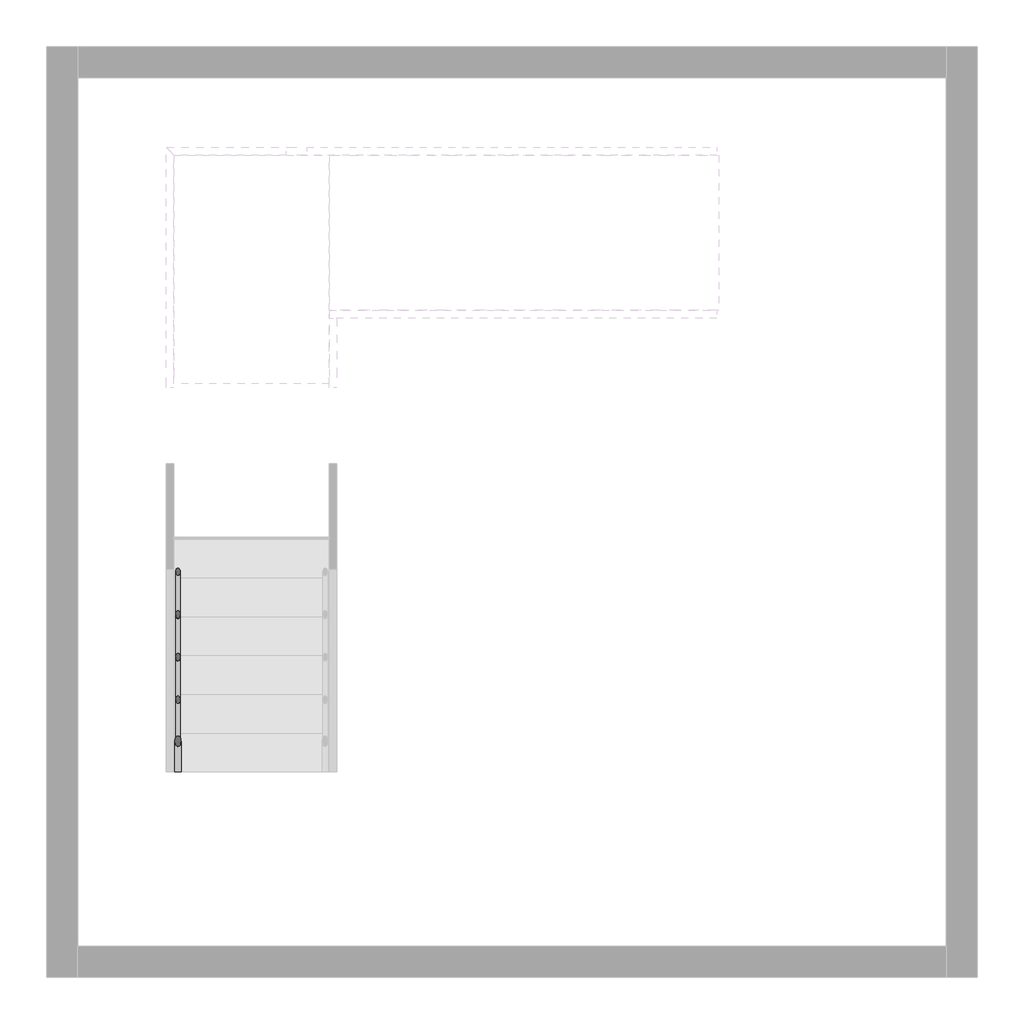
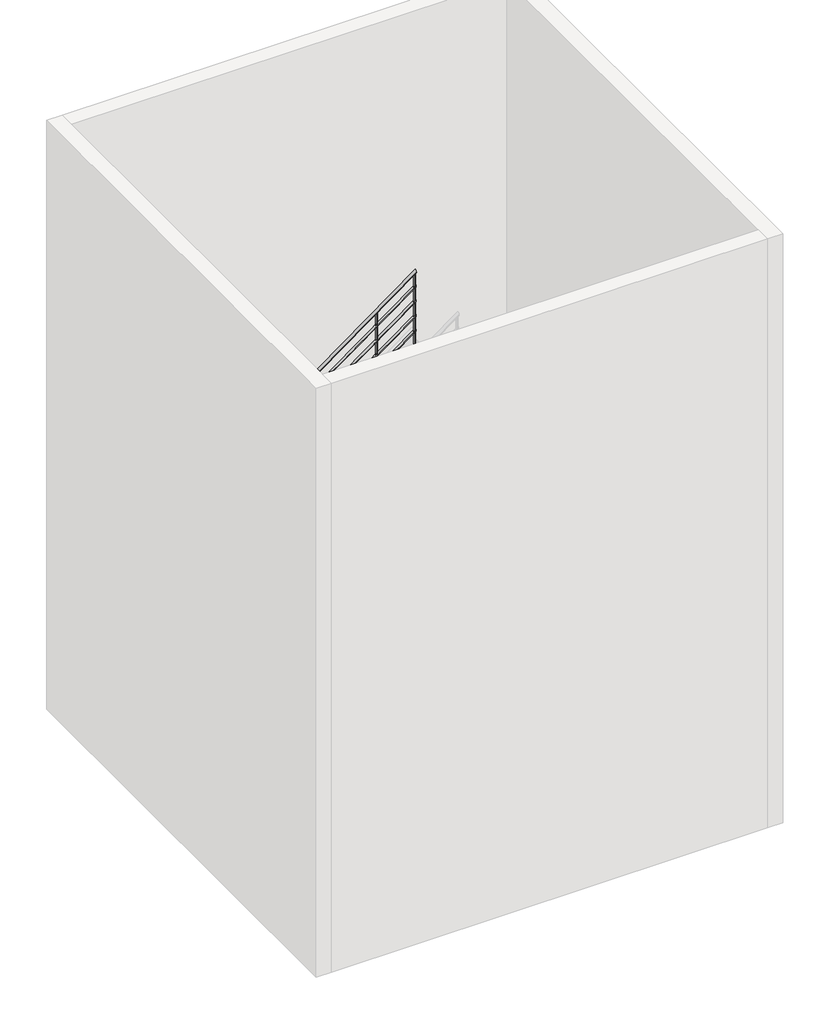
# One storey, part 2 of 7: 1 railing.
"""IFC4 building model written with IfcOpenShell, lengths in millimetres."""

from ifc_helpers import new_model, si_unit, point, frame, frame_2d, origin, place, context, project, spatial, circle_curve, ellipse_curve, trimmed, segment, composite_curve, outline, extrude, element, save
from ifc_brep_helpers import plane_surface, cylinder_surface, advanced_brep

model = new_model("IFC4")

# Units and contexts
model_context = context("Model", 3, world=origin())
ifc_project = project(units=[si_unit("LENGTHUNIT", "METRE", prefix="MILLI")], contexts=[model_context])

# Site, building, storey
site = spatial("IfcSite", under=ifc_project)
building = spatial("IfcBuilding", under=site)
storey = spatial("IfcBuildingStorey", under=building, Elevation=0.0)

# Railing
placement = place(None, origin())
element("IfcRailing", 1, at=placement, inside=storey, context=model_context, shape_type="SolidModel", body=[
    advanced_brep(
    [(-14875.0675457, -20822.7019092, 1057.0882354), (-14915.0675457, -20822.7019092, 1057.0882354), (-14875.0675457, -18316.198233, 2880.0), (-14915.0675457, -18316.198233, 2880.0), (-14875.0675457, -16893.6676251, 2880.0), (-14915.0675457, -16853.6676251, 2880.0), (-14163.9638695, -16893.6676251, 2880.0), (-14163.9638695, -16853.6676251, 2880.0), (-13908.7041118, -16893.6676251, 3065.6434601), (-13908.7041118, -16853.6676251, 3065.6434601), (-11420.4675457, -16893.6676251, 4875.2700536), (-11420.4675457, -16853.6676251, 4875.2700536)],
    [
        (0, 1, ellipse_curve(frame((-14895.0675457, -20822.7019092, 1057.0882354), z_axis=(0.0, -1.0, 0.0), x_axis=(0.0, 0.0, -1.0)), 24.7299464, 20.0)),
        (1, 0, ellipse_curve(frame((-14895.0675457, -20822.7019092, 1057.0882354), z_axis=(0.0, -1.0, 0.0), x_axis=(0.0, 0.0, -1.0)), 24.7299464, 20.0)),
        (0, 2),
        (2, 3, ellipse_curve(frame((-14895.0675457, -18316.198233, 2880.0), z_axis=(0.0, -0.9509826718461248, -0.30924417189076636), x_axis=(0.0, 0.30924417189076703, -0.9509826718461245)), 21.0308774, 20.0)),
        (3, 1),
        (3, 2, ellipse_curve(frame((-14895.0675457, -18316.198233, 2880.0), z_axis=(0.0, -0.9509826718461248, -0.30924417189076636), x_axis=(0.0, 0.30924417189076703, -0.9509826718461245)), 21.0308774, 20.0)),
        (2, 4),
        (4, 5, ellipse_curve(frame((-14895.0675457, -16873.6676251, 2880.0), z_axis=(-0.7071067811865475, -0.7071067811865475, 0.0), x_axis=(0.7071067811865474, -0.7071067811865476, 0.0)), 28.2842712, 20.0)),
        (5, 3),
        (5, 4, ellipse_curve(frame((-14895.0675457, -16873.6676251, 2880.0), z_axis=(-0.7071067811865475, -0.7071067811865475, 0.0), x_axis=(0.7071067811865474, -0.7071067811865476, 0.0)), 28.2842712, 20.0)),
        (4, 6),
        (6, 7, ellipse_curve(frame((-14163.9638695, -16873.6676251, 2880.0), z_axis=(-0.9509826718461248, 0.0, -0.3092441718907662), x_axis=(-0.30924417189076575, 0.0, 0.9509826718461248)), 21.0308774, 20.0)),
        (7, 5),
        (7, 6, ellipse_curve(frame((-14163.9638695, -16873.6676251, 2880.0), z_axis=(-0.9509826718461248, 0.0, -0.3092441718907662), x_axis=(-0.30924417189076575, 0.0, 0.9509826718461248)), 21.0308774, 20.0)),
        (6, 8),
        (8, 9, circle_curve(frame((-13908.7041118, -16873.6676251, 3065.6434601), z_axis=(-0.8087360843031884, 0.0, -0.5881716976750463), x_axis=(0.0, 1.0, 0.0)), 20.0)),
        (9, 7),
        (9, 8, circle_curve(frame((-13908.7041118, -16873.6676251, 3065.6434601), z_axis=(-0.8087360843031884, 0.0, -0.5881716976750463), x_axis=(0.0, 1.0, 0.0)), 20.0)),
        (10, 11, ellipse_curve(frame((-11420.4675457, -16873.6676251, 4875.2700536), z_axis=(1.0, 0.0, 0.0), x_axis=(0.0, 0.0, -1.0)), 24.7299464, 20.0)),
        (11, 10, ellipse_curve(frame((-11420.4675457, -16873.6676251, 4875.2700536), z_axis=(1.0, 0.0, 0.0), x_axis=(0.0, 0.0, -1.0)), 24.7299464, 20.0)),
        (8, 10),
        (11, 9),
    ],
    [
        plane_surface(frame((-14895.0675457, -20822.7019092, 1081.8181818), z_axis=(0.0, -1.0, 0.0), x_axis=(0.0, 0.0, 1.0))),
        cylinder_surface(frame((-14895.0675457, -20810.9384753, 1065.6434601), z_axis=(0.0, -0.8087360843031884, -0.5881716976750465), x_axis=(-1.0, 0.0, 0.0)), 20.0),
        cylinder_surface(frame((-14895.0675457, -18322.7019092, 2880.0), z_axis=(0.0, -1.0, 0.0), x_axis=(-1.0, 0.0, 0.0)), 20.0),
        cylinder_surface(frame((-14895.0675457, -16873.6676251, 2880.0), z_axis=(-1.0, 0.0, 0.0), x_axis=(0.0, 1.0, 0.0)), 20.0),
        cylinder_surface(frame((-14158.7041118, -16873.6676251, 2883.8252783), z_axis=(-0.8087360843031884, 0.0, -0.5881716976750463), x_axis=(0.0, 1.0, 0.0)), 20.0),
        plane_surface(frame((-11420.4675457, -16873.6676251, 4900.0), z_axis=(1.0, 0.0, 0.0), x_axis=(0.0, 1.0, 0.0))),
        cylinder_surface(frame((-13908.7041118, -16873.6676251, 3065.6434601), z_axis=(-0.8087360843031883, 0.0, -0.5881716976750465), x_axis=(0.0, 1.0, 0.0)), 20.0),
    ],
    [
        (0, [[1, 2]]),
        (1, [[-1, 3, 4, 5]]),
        (1, [[-2, -5, 6, -3]]),
        (2, [[-4, 7, 8, 9]]),
        (2, [[-6, -9, 10, -7]]),
        (3, [[-8, 11, 12, 13]]),
        (3, [[-10, -13, 14, -11]]),
        (4, [[-12, 15, 16, 17]]),
        (4, [[-14, -17, 18, -15]]),
        (5, [[19, 20]]),
        (6, [[-16, 21, -20, 22]]),
        (6, [[-18, -22, -19, -21]]),
    ],
),
    advanced_brep(
    [(-14880.0675457, -20822.7019092, 863.270722), (-14910.0675457, -20822.7019092, 863.270722), (-14880.0675457, -18322.7019092, 2681.4525402), (-14910.0675457, -18322.7019092, 2681.4525402)],
    [
        (0, 1, ellipse_curve(frame((-14895.0675457, -20822.7019092, 863.270722), z_axis=(0.0, -1.0, 0.0), x_axis=(0.0, 0.0, -1.0)), 18.5474598, 15.0)),
        (1, 0, ellipse_curve(frame((-14895.0675457, -20822.7019092, 863.270722), z_axis=(0.0, -1.0, 0.0), x_axis=(0.0, 0.0, -1.0)), 18.5474598, 15.0)),
        (2, 3, ellipse_curve(frame((-14895.0675457, -18322.7019092, 2681.4525402), z_axis=(0.0, 1.0, 0.0), x_axis=(0.0, 0.0, -1.0)), 18.5474598, 15.0)),
        (3, 2, ellipse_curve(frame((-14895.0675457, -18322.7019092, 2681.4525402), z_axis=(0.0, 1.0, 0.0), x_axis=(0.0, 0.0, -1.0)), 18.5474598, 15.0)),
        (0, 2),
        (3, 1),
    ],
    [
        plane_surface(frame((-14895.0675457, -20822.7019092, 881.8181818), z_axis=(0.0, -1.0, 0.0), x_axis=(0.0, 0.0, 1.0))),
        plane_surface(frame((-14895.0675457, -18322.7019092, 2700.0), z_axis=(0.0, 1.0, 0.0), x_axis=(0.0, 0.0, 1.0))),
        cylinder_surface(frame((-14895.0675457, -20813.8793338, 869.6871406), z_axis=(0.0, -0.8087360843031884, -0.5881716976750465), x_axis=(-1.0, 0.0, 0.0)), 15.0),
    ],
    [
        (0, [[1, 2]]),
        (1, [[3, 4]]),
        (2, [[-1, 5, -4, 6]]),
        (2, [[-2, -6, -3, -5]]),
    ],
),
    advanced_brep(
    [(-14880.0675457, -18322.7019092, 2685.0), (-14910.0675457, -18322.7019092, 2685.0), (-14880.0675457, -16888.6676251, 2685.0), (-14910.0675457, -16888.6676251, 2685.0)],
    [
        (0, 1, circle_curve(frame((-14895.0675457, -18322.7019092, 2685.0), z_axis=(0.0, -1.0, 0.0), x_axis=(-1.0, 0.0, 0.0)), 15.0)),
        (1, 0, circle_curve(frame((-14895.0675457, -18322.7019092, 2685.0), z_axis=(0.0, -1.0, 0.0), x_axis=(-1.0, 0.0, 0.0)), 15.0)),
        (2, 3, circle_curve(frame((-14895.0675457, -16888.6676251, 2685.0), z_axis=(0.0, 1.0, 0.0), x_axis=(-1.0, 0.0, 0.0)), 15.0)),
        (3, 2, circle_curve(frame((-14895.0675457, -16888.6676251, 2685.0), z_axis=(0.0, 1.0, 0.0), x_axis=(-1.0, 0.0, 0.0)), 15.0)),
        (0, 2),
        (3, 1),
    ],
    [
        plane_surface(frame((-14895.0675457, -18322.7019092, 2700.0), z_axis=(0.0, -1.0, 0.0), x_axis=(0.0, 0.0, 1.0))),
        plane_surface(frame((-14895.0675457, -16888.6676251, 2700.0), z_axis=(0.0, 1.0, 0.0), x_axis=(0.0, 0.0, 1.0))),
        cylinder_surface(frame((-14895.0675457, -18322.7019092, 2685.0), z_axis=(0.0, -1.0, 0.0), x_axis=(-1.0, 0.0, 0.0)), 15.0),
    ],
    [
        (0, [[1, 2]]),
        (1, [[3, 4]]),
        (2, [[-1, 5, -4, 6]]),
        (2, [[-2, -6, -3, -5]]),
    ],
),
    advanced_brep(
    [(-14910.0675457, -16888.6676251, 2685.0), (-14910.0675457, -16858.6676251, 2685.0), (-14165.5897885, -16888.6676251, 2685.0), (-14165.5897885, -16858.6676251, 2685.0), (-13920.4675457, -16888.6676251, 2863.270722), (-13920.4675457, -16858.6676251, 2863.270722)],
    [
        (0, 1, circle_curve(frame((-14910.0675457, -16873.6676251, 2685.0), z_axis=(-1.0, 0.0, 0.0), x_axis=(0.0, 1.0, 0.0)), 15.0)),
        (1, 0, circle_curve(frame((-14910.0675457, -16873.6676251, 2685.0), z_axis=(-1.0, 0.0, 0.0), x_axis=(0.0, 1.0, 0.0)), 15.0)),
        (0, 2),
        (2, 3, ellipse_curve(frame((-14165.5897885, -16873.6676251, 2685.0), z_axis=(-0.9509826718461248, 0.0, -0.3092441718907662), x_axis=(-0.30924417189076575, 0.0, 0.9509826718461248)), 15.7731581, 15.0)),
        (3, 1),
        (3, 2, ellipse_curve(frame((-14165.5897885, -16873.6676251, 2685.0), z_axis=(-0.9509826718461248, 0.0, -0.3092441718907662), x_axis=(-0.30924417189076575, 0.0, 0.9509826718461248)), 15.7731581, 15.0)),
        (4, 5, ellipse_curve(frame((-13920.4675457, -16873.6676251, 2863.270722), z_axis=(1.0, 0.0, 0.0), x_axis=(0.0, 0.0, -0.9999999999999999)), 18.5474598, 15.0)),
        (5, 4, ellipse_curve(frame((-13920.4675457, -16873.6676251, 2863.270722), z_axis=(1.0, 0.0, 0.0), x_axis=(0.0, 0.0, -0.9999999999999999)), 18.5474598, 15.0)),
        (2, 4),
        (5, 3),
    ],
    [
        plane_surface(frame((-14910.0675457, -16873.6676251, 2700.0), z_axis=(-1.0, 0.0, 0.0), x_axis=(0.0, 1.0, 0.0))),
        cylinder_surface(frame((-14910.0675457, -16873.6676251, 2685.0), z_axis=(-1.0, 0.0, 0.0), x_axis=(0.0, 1.0, 0.0)), 15.0),
        plane_surface(frame((-13920.4675457, -16873.6676251, 2881.8181818), z_axis=(1.0, 0.0, 0.0), x_axis=(0.0, 1.0, 0.0))),
        cylinder_surface(frame((-14161.6449703, -16873.6676251, 2687.8689587), z_axis=(-0.8087360843031884, 0.0, -0.5881716976750463), x_axis=(0.0, 1.0, 0.0)), 15.0),
    ],
    [
        (0, [[1, 2]]),
        (1, [[-1, 3, 4, 5]]),
        (1, [[-2, -5, 6, -3]]),
        (2, [[7, 8]]),
        (3, [[-4, 9, -8, 10]]),
        (3, [[-6, -10, -7, -9]]),
    ],
),
    advanced_brep(
    [(-13920.4675457, -16888.6676251, 2863.270722), (-13920.4675457, -16858.6676251, 2863.270722), (-11420.4675457, -16888.6676251, 4681.4525402), (-11420.4675457, -16858.6676251, 4681.4525402)],
    [
        (0, 1, ellipse_curve(frame((-13920.4675457, -16873.6676251, 2863.270722), z_axis=(-1.0, 0.0, 0.0), x_axis=(0.0, 0.0, -1.0)), 18.5474598, 15.0)),
        (1, 0, ellipse_curve(frame((-13920.4675457, -16873.6676251, 2863.270722), z_axis=(-1.0, 0.0, 0.0), x_axis=(0.0, 0.0, -1.0)), 18.5474598, 15.0)),
        (2, 3, ellipse_curve(frame((-11420.4675457, -16873.6676251, 4681.4525402), z_axis=(1.0, 0.0, 0.0), x_axis=(0.0, 0.0, -1.0)), 18.5474598, 15.0)),
        (3, 2, ellipse_curve(frame((-11420.4675457, -16873.6676251, 4681.4525402), z_axis=(1.0, 0.0, 0.0), x_axis=(0.0, 0.0, -1.0)), 18.5474598, 15.0)),
        (0, 2),
        (3, 1),
    ],
    [
        plane_surface(frame((-13920.4675457, -16873.6676251, 2881.8181818), z_axis=(-1.0, 0.0, 0.0), x_axis=(0.0, 1.0, 0.0))),
        plane_surface(frame((-11420.4675457, -16873.6676251, 4700.0), z_axis=(1.0, 0.0, 0.0), x_axis=(0.0, 1.0, 0.0))),
        cylinder_surface(frame((-13911.6449703, -16873.6676251, 2869.6871406), z_axis=(-0.8087360843031884, 0.0, -0.5881716976750465), x_axis=(0.0, 1.0, 0.0)), 15.0),
    ],
    [
        (0, [[1, 2]]),
        (1, [[3, 4]]),
        (2, [[-1, 5, -4, 6]]),
        (2, [[-2, -6, -3, -5]]),
    ],
),
    advanced_brep(
    [(-14880.0675457, -20822.7019092, 663.270722), (-14910.0675457, -20822.7019092, 663.270722), (-14880.0675457, -18322.7019092, 2481.4525402), (-14910.0675457, -18322.7019092, 2481.4525402)],
    [
        (0, 1, ellipse_curve(frame((-14895.0675457, -20822.7019092, 663.270722), z_axis=(0.0, -1.0, 0.0), x_axis=(0.0, 0.0, -1.0)), 18.5474598, 15.0)),
        (1, 0, ellipse_curve(frame((-14895.0675457, -20822.7019092, 663.270722), z_axis=(0.0, -1.0, 0.0), x_axis=(0.0, 0.0, -1.0)), 18.5474598, 15.0)),
        (2, 3, ellipse_curve(frame((-14895.0675457, -18322.7019092, 2481.4525402), z_axis=(0.0, 1.0, 0.0), x_axis=(0.0, 0.0, -1.0)), 18.5474598, 15.0)),
        (3, 2, ellipse_curve(frame((-14895.0675457, -18322.7019092, 2481.4525402), z_axis=(0.0, 1.0, 0.0), x_axis=(0.0, 0.0, -1.0)), 18.5474598, 15.0)),
        (0, 2),
        (3, 1),
    ],
    [
        plane_surface(frame((-14895.0675457, -20822.7019092, 681.8181818), z_axis=(0.0, -1.0, 0.0), x_axis=(0.0, 0.0, 1.0))),
        plane_surface(frame((-14895.0675457, -18322.7019092, 2500.0), z_axis=(0.0, 1.0, 0.0), x_axis=(0.0, 0.0, 1.0))),
        cylinder_surface(frame((-14895.0675457, -20813.8793338, 669.6871406), z_axis=(0.0, -0.8087360843031884, -0.5881716976750465), x_axis=(-1.0, 0.0, 0.0)), 15.0),
    ],
    [
        (0, [[1, 2]]),
        (1, [[3, 4]]),
        (2, [[-1, 5, -4, 6]]),
        (2, [[-2, -6, -3, -5]]),
    ],
),
    advanced_brep(
    [(-14880.0675457, -18322.7019092, 2485.0), (-14910.0675457, -18322.7019092, 2485.0), (-14880.0675457, -16888.6676251, 2485.0), (-14910.0675457, -16888.6676251, 2485.0)],
    [
        (0, 1, circle_curve(frame((-14895.0675457, -18322.7019092, 2485.0), z_axis=(0.0, -1.0, 0.0), x_axis=(-1.0, 0.0, 0.0)), 15.0)),
        (1, 0, circle_curve(frame((-14895.0675457, -18322.7019092, 2485.0), z_axis=(0.0, -1.0, 0.0), x_axis=(-1.0, 0.0, 0.0)), 15.0)),
        (2, 3, circle_curve(frame((-14895.0675457, -16888.6676251, 2485.0), z_axis=(0.0, 1.0, 0.0), x_axis=(-1.0, 0.0, 0.0)), 15.0)),
        (3, 2, circle_curve(frame((-14895.0675457, -16888.6676251, 2485.0), z_axis=(0.0, 1.0, 0.0), x_axis=(-1.0, 0.0, 0.0)), 15.0)),
        (0, 2),
        (3, 1),
    ],
    [
        plane_surface(frame((-14895.0675457, -18322.7019092, 2500.0), z_axis=(0.0, -1.0, 0.0), x_axis=(0.0, 0.0, 1.0))),
        plane_surface(frame((-14895.0675457, -16888.6676251, 2500.0), z_axis=(0.0, 1.0, 0.0), x_axis=(0.0, 0.0, 1.0))),
        cylinder_surface(frame((-14895.0675457, -18322.7019092, 2485.0), z_axis=(0.0, -1.0, 0.0), x_axis=(-1.0, 0.0, 0.0)), 15.0),
    ],
    [
        (0, [[1, 2]]),
        (1, [[3, 4]]),
        (2, [[-1, 5, -4, 6]]),
        (2, [[-2, -6, -3, -5]]),
    ],
),
    advanced_brep(
    [(-14910.0675457, -16888.6676251, 2485.0), (-14910.0675457, -16858.6676251, 2485.0), (-14165.5897885, -16888.6676251, 2485.0), (-14165.5897885, -16858.6676251, 2485.0), (-13920.4675457, -16888.6676251, 2663.270722), (-13920.4675457, -16858.6676251, 2663.270722)],
    [
        (0, 1, circle_curve(frame((-14910.0675457, -16873.6676251, 2485.0), z_axis=(-1.0, 0.0, 0.0), x_axis=(0.0, 1.0, 0.0)), 15.0)),
        (1, 0, circle_curve(frame((-14910.0675457, -16873.6676251, 2485.0), z_axis=(-1.0, 0.0, 0.0), x_axis=(0.0, 1.0, 0.0)), 15.0)),
        (0, 2),
        (2, 3, ellipse_curve(frame((-14165.5897885, -16873.6676251, 2485.0), z_axis=(-0.9509826718461248, 0.0, -0.3092441718907662), x_axis=(-0.30924417189076575, 0.0, 0.9509826718461248)), 15.7731581, 15.0)),
        (3, 1),
        (3, 2, ellipse_curve(frame((-14165.5897885, -16873.6676251, 2485.0), z_axis=(-0.9509826718461248, 0.0, -0.3092441718907662), x_axis=(-0.30924417189076575, 0.0, 0.9509826718461248)), 15.7731581, 15.0)),
        (4, 5, ellipse_curve(frame((-13920.4675457, -16873.6676251, 2663.270722), z_axis=(1.0, 0.0, 0.0), x_axis=(0.0, 0.0, -0.9999999999999999)), 18.5474598, 15.0)),
        (5, 4, ellipse_curve(frame((-13920.4675457, -16873.6676251, 2663.270722), z_axis=(1.0, 0.0, 0.0), x_axis=(0.0, 0.0, -0.9999999999999999)), 18.5474598, 15.0)),
        (2, 4),
        (5, 3),
    ],
    [
        plane_surface(frame((-14910.0675457, -16873.6676251, 2500.0), z_axis=(-1.0, 0.0, 0.0), x_axis=(0.0, 1.0, 0.0))),
        cylinder_surface(frame((-14910.0675457, -16873.6676251, 2485.0), z_axis=(-1.0, 0.0, 0.0), x_axis=(0.0, 1.0, 0.0)), 15.0),
        plane_surface(frame((-13920.4675457, -16873.6676251, 2681.8181818), z_axis=(1.0, 0.0, 0.0), x_axis=(0.0, 1.0, 0.0))),
        cylinder_surface(frame((-14161.6449703, -16873.6676251, 2487.8689587), z_axis=(-0.8087360843031884, 0.0, -0.5881716976750463), x_axis=(0.0, 1.0, 0.0)), 15.0),
    ],
    [
        (0, [[1, 2]]),
        (1, [[-1, 3, 4, 5]]),
        (1, [[-2, -5, 6, -3]]),
        (2, [[7, 8]]),
        (3, [[-4, 9, -8, 10]]),
        (3, [[-6, -10, -7, -9]]),
    ],
),
    advanced_brep(
    [(-13920.4675457, -16888.6676251, 2663.270722), (-13920.4675457, -16858.6676251, 2663.270722), (-11420.4675457, -16888.6676251, 4481.4525402), (-11420.4675457, -16858.6676251, 4481.4525402)],
    [
        (0, 1, ellipse_curve(frame((-13920.4675457, -16873.6676251, 2663.270722), z_axis=(-1.0, 0.0, 0.0), x_axis=(0.0, 0.0, -1.0)), 18.5474598, 15.0)),
        (1, 0, ellipse_curve(frame((-13920.4675457, -16873.6676251, 2663.270722), z_axis=(-1.0, 0.0, 0.0), x_axis=(0.0, 0.0, -1.0)), 18.5474598, 15.0)),
        (2, 3, ellipse_curve(frame((-11420.4675457, -16873.6676251, 4481.4525402), z_axis=(1.0, 0.0, 0.0), x_axis=(0.0, 0.0, -1.0)), 18.5474598, 15.0)),
        (3, 2, ellipse_curve(frame((-11420.4675457, -16873.6676251, 4481.4525402), z_axis=(1.0, 0.0, 0.0), x_axis=(0.0, 0.0, -1.0)), 18.5474598, 15.0)),
        (0, 2),
        (3, 1),
    ],
    [
        plane_surface(frame((-13920.4675457, -16873.6676251, 2681.8181818), z_axis=(-1.0, 0.0, 0.0), x_axis=(0.0, 1.0, 0.0))),
        plane_surface(frame((-11420.4675457, -16873.6676251, 4500.0), z_axis=(1.0, 0.0, 0.0), x_axis=(0.0, 1.0, 0.0))),
        cylinder_surface(frame((-13911.6449703, -16873.6676251, 2669.6871406), z_axis=(-0.8087360843031884, 0.0, -0.5881716976750465), x_axis=(0.0, 1.0, 0.0)), 15.0),
    ],
    [
        (0, [[1, 2]]),
        (1, [[3, 4]]),
        (2, [[-1, 5, -4, 6]]),
        (2, [[-2, -6, -3, -5]]),
    ],
),
    advanced_brep(
    [(-14880.0675457, -20822.7019092, 463.270722), (-14910.0675457, -20822.7019092, 463.270722), (-14880.0675457, -18322.7019092, 2281.4525402), (-14910.0675457, -18322.7019092, 2281.4525402)],
    [
        (0, 1, ellipse_curve(frame((-14895.0675457, -20822.7019092, 463.270722), z_axis=(0.0, -1.0, 0.0), x_axis=(0.0, 0.0, -1.0)), 18.5474598, 15.0)),
        (1, 0, ellipse_curve(frame((-14895.0675457, -20822.7019092, 463.270722), z_axis=(0.0, -1.0, 0.0), x_axis=(0.0, 0.0, -1.0)), 18.5474598, 15.0)),
        (2, 3, ellipse_curve(frame((-14895.0675457, -18322.7019092, 2281.4525402), z_axis=(0.0, 1.0, 0.0), x_axis=(0.0, 0.0, -1.0)), 18.5474598, 15.0)),
        (3, 2, ellipse_curve(frame((-14895.0675457, -18322.7019092, 2281.4525402), z_axis=(0.0, 1.0, 0.0), x_axis=(0.0, 0.0, -1.0)), 18.5474598, 15.0)),
        (0, 2),
        (3, 1),
    ],
    [
        plane_surface(frame((-14895.0675457, -20822.7019092, 481.8181818), z_axis=(0.0, -1.0, 0.0), x_axis=(0.0, 0.0, 1.0))),
        plane_surface(frame((-14895.0675457, -18322.7019092, 2300.0), z_axis=(0.0, 1.0, 0.0), x_axis=(0.0, 0.0, 1.0))),
        cylinder_surface(frame((-14895.0675457, -20813.8793338, 469.6871406), z_axis=(0.0, -0.8087360843031884, -0.5881716976750465), x_axis=(-1.0, 0.0, 0.0)), 15.0),
    ],
    [
        (0, [[1, 2]]),
        (1, [[3, 4]]),
        (2, [[-1, 5, -4, 6]]),
        (2, [[-2, -6, -3, -5]]),
    ],
),
    advanced_brep(
    [(-14880.0675457, -18322.7019092, 2285.0), (-14910.0675457, -18322.7019092, 2285.0), (-14880.0675457, -16888.6676251, 2285.0), (-14910.0675457, -16888.6676251, 2285.0)],
    [
        (0, 1, circle_curve(frame((-14895.0675457, -18322.7019092, 2285.0), z_axis=(0.0, -1.0, 0.0), x_axis=(-1.0, 0.0, 0.0)), 15.0)),
        (1, 0, circle_curve(frame((-14895.0675457, -18322.7019092, 2285.0), z_axis=(0.0, -1.0, 0.0), x_axis=(-1.0, 0.0, 0.0)), 15.0)),
        (2, 3, circle_curve(frame((-14895.0675457, -16888.6676251, 2285.0), z_axis=(0.0, 1.0, 0.0), x_axis=(-1.0, 0.0, 0.0)), 15.0)),
        (3, 2, circle_curve(frame((-14895.0675457, -16888.6676251, 2285.0), z_axis=(0.0, 1.0, 0.0), x_axis=(-1.0, 0.0, 0.0)), 15.0)),
        (0, 2),
        (3, 1),
    ],
    [
        plane_surface(frame((-14895.0675457, -18322.7019092, 2300.0), z_axis=(0.0, -1.0, 0.0), x_axis=(0.0, 0.0, 1.0))),
        plane_surface(frame((-14895.0675457, -16888.6676251, 2300.0), z_axis=(0.0, 1.0, 0.0), x_axis=(0.0, 0.0, 1.0))),
        cylinder_surface(frame((-14895.0675457, -18322.7019092, 2285.0), z_axis=(0.0, -1.0, 0.0), x_axis=(-1.0, 0.0, 0.0)), 15.0),
    ],
    [
        (0, [[1, 2]]),
        (1, [[3, 4]]),
        (2, [[-1, 5, -4, 6]]),
        (2, [[-2, -6, -3, -5]]),
    ],
),
    advanced_brep(
    [(-14910.0675457, -16888.6676251, 2285.0), (-14910.0675457, -16858.6676251, 2285.0), (-14165.5897885, -16888.6676251, 2285.0), (-14165.5897885, -16858.6676251, 2285.0), (-13920.4675457, -16888.6676251, 2463.270722), (-13920.4675457, -16858.6676251, 2463.270722)],
    [
        (0, 1, circle_curve(frame((-14910.0675457, -16873.6676251, 2285.0), z_axis=(-1.0, 0.0, 0.0), x_axis=(0.0, 1.0, 0.0)), 15.0)),
        (1, 0, circle_curve(frame((-14910.0675457, -16873.6676251, 2285.0), z_axis=(-1.0, 0.0, 0.0), x_axis=(0.0, 1.0, 0.0)), 15.0)),
        (0, 2),
        (2, 3, ellipse_curve(frame((-14165.5897885, -16873.6676251, 2285.0), z_axis=(-0.9509826718461248, 0.0, -0.3092441718907662), x_axis=(-0.30924417189076575, 0.0, 0.9509826718461248)), 15.7731581, 15.0)),
        (3, 1),
        (3, 2, ellipse_curve(frame((-14165.5897885, -16873.6676251, 2285.0), z_axis=(-0.9509826718461248, 0.0, -0.3092441718907662), x_axis=(-0.30924417189076575, 0.0, 0.9509826718461248)), 15.7731581, 15.0)),
        (4, 5, ellipse_curve(frame((-13920.4675457, -16873.6676251, 2463.270722), z_axis=(1.0, 0.0, 0.0), x_axis=(0.0, 0.0, -0.9999999999999999)), 18.5474598, 15.0)),
        (5, 4, ellipse_curve(frame((-13920.4675457, -16873.6676251, 2463.270722), z_axis=(1.0, 0.0, 0.0), x_axis=(0.0, 0.0, -0.9999999999999999)), 18.5474598, 15.0)),
        (2, 4),
        (5, 3),
    ],
    [
        plane_surface(frame((-14910.0675457, -16873.6676251, 2300.0), z_axis=(-1.0, 0.0, 0.0), x_axis=(0.0, 1.0, 0.0))),
        cylinder_surface(frame((-14910.0675457, -16873.6676251, 2285.0), z_axis=(-1.0, 0.0, 0.0), x_axis=(0.0, 1.0, 0.0)), 15.0),
        plane_surface(frame((-13920.4675457, -16873.6676251, 2481.8181818), z_axis=(1.0, 0.0, 0.0), x_axis=(0.0, 1.0, 0.0))),
        cylinder_surface(frame((-14161.6449703, -16873.6676251, 2287.8689587), z_axis=(-0.8087360843031884, 0.0, -0.5881716976750463), x_axis=(0.0, 1.0, 0.0)), 15.0),
    ],
    [
        (0, [[1, 2]]),
        (1, [[-1, 3, 4, 5]]),
        (1, [[-2, -5, 6, -3]]),
        (2, [[7, 8]]),
        (3, [[-4, 9, -8, 10]]),
        (3, [[-6, -10, -7, -9]]),
    ],
),
    advanced_brep(
    [(-13920.4675457, -16888.6676251, 2463.270722), (-13920.4675457, -16858.6676251, 2463.270722), (-11420.4675457, -16888.6676251, 4281.4525402), (-11420.4675457, -16858.6676251, 4281.4525402)],
    [
        (0, 1, ellipse_curve(frame((-13920.4675457, -16873.6676251, 2463.270722), z_axis=(-1.0, 0.0, 0.0), x_axis=(0.0, 0.0, -1.0)), 18.5474598, 15.0)),
        (1, 0, ellipse_curve(frame((-13920.4675457, -16873.6676251, 2463.270722), z_axis=(-1.0, 0.0, 0.0), x_axis=(0.0, 0.0, -1.0)), 18.5474598, 15.0)),
        (2, 3, ellipse_curve(frame((-11420.4675457, -16873.6676251, 4281.4525402), z_axis=(1.0, 0.0, 0.0), x_axis=(0.0, 0.0, -1.0)), 18.5474598, 15.0)),
        (3, 2, ellipse_curve(frame((-11420.4675457, -16873.6676251, 4281.4525402), z_axis=(1.0, 0.0, 0.0), x_axis=(0.0, 0.0, -1.0)), 18.5474598, 15.0)),
        (0, 2),
        (3, 1),
    ],
    [
        plane_surface(frame((-13920.4675457, -16873.6676251, 2481.8181818), z_axis=(-1.0, 0.0, 0.0), x_axis=(0.0, 1.0, 0.0))),
        plane_surface(frame((-11420.4675457, -16873.6676251, 4300.0), z_axis=(1.0, 0.0, 0.0), x_axis=(0.0, 1.0, 0.0))),
        cylinder_surface(frame((-13911.6449703, -16873.6676251, 2469.6871406), z_axis=(-0.8087360843031884, 0.0, -0.5881716976750465), x_axis=(0.0, 1.0, 0.0)), 15.0),
    ],
    [
        (0, [[1, 2]]),
        (1, [[3, 4]]),
        (2, [[-1, 5, -4, 6]]),
        (2, [[-2, -6, -3, -5]]),
    ],
),
    advanced_brep(
    [(-14880.0675457, -20822.7019092, 263.270722), (-14910.0675457, -20822.7019092, 263.270722), (-14880.0675457, -18322.7019092, 2081.4525402), (-14910.0675457, -18322.7019092, 2081.4525402)],
    [
        (0, 1, ellipse_curve(frame((-14895.0675457, -20822.7019092, 263.270722), z_axis=(0.0, -1.0, 0.0), x_axis=(0.0, 0.0, -1.0)), 18.5474598, 15.0)),
        (1, 0, ellipse_curve(frame((-14895.0675457, -20822.7019092, 263.270722), z_axis=(0.0, -1.0, 0.0), x_axis=(0.0, 0.0, -1.0)), 18.5474598, 15.0)),
        (2, 3, ellipse_curve(frame((-14895.0675457, -18322.7019092, 2081.4525402), z_axis=(0.0, 1.0, 0.0), x_axis=(0.0, 0.0, -1.0)), 18.5474598, 15.0)),
        (3, 2, ellipse_curve(frame((-14895.0675457, -18322.7019092, 2081.4525402), z_axis=(0.0, 1.0, 0.0), x_axis=(0.0, 0.0, -1.0)), 18.5474598, 15.0)),
        (0, 2),
        (3, 1),
    ],
    [
        plane_surface(frame((-14895.0675457, -20822.7019092, 281.8181818), z_axis=(0.0, -1.0, 0.0), x_axis=(0.0, 0.0, 1.0))),
        plane_surface(frame((-14895.0675457, -18322.7019092, 2100.0), z_axis=(0.0, 1.0, 0.0), x_axis=(0.0, 0.0, 1.0))),
        cylinder_surface(frame((-14895.0675457, -20813.8793338, 269.6871406), z_axis=(0.0, -0.8087360843031884, -0.5881716976750465), x_axis=(-1.0, 0.0, 0.0)), 15.0),
    ],
    [
        (0, [[1, 2]]),
        (1, [[3, 4]]),
        (2, [[-1, 5, -4, 6]]),
        (2, [[-2, -6, -3, -5]]),
    ],
),
    advanced_brep(
    [(-14880.0675457, -18322.7019092, 2085.0), (-14910.0675457, -18322.7019092, 2085.0), (-14880.0675457, -16888.6676251, 2085.0), (-14910.0675457, -16888.6676251, 2085.0)],
    [
        (0, 1, circle_curve(frame((-14895.0675457, -18322.7019092, 2085.0), z_axis=(0.0, -1.0, 0.0), x_axis=(-1.0, 0.0, 0.0)), 15.0)),
        (1, 0, circle_curve(frame((-14895.0675457, -18322.7019092, 2085.0), z_axis=(0.0, -1.0, 0.0), x_axis=(-1.0, 0.0, 0.0)), 15.0)),
        (2, 3, circle_curve(frame((-14895.0675457, -16888.6676251, 2085.0), z_axis=(0.0, 1.0, 0.0), x_axis=(-1.0, 0.0, 0.0)), 15.0)),
        (3, 2, circle_curve(frame((-14895.0675457, -16888.6676251, 2085.0), z_axis=(0.0, 1.0, 0.0), x_axis=(-1.0, 0.0, 0.0)), 15.0)),
        (0, 2),
        (3, 1),
    ],
    [
        plane_surface(frame((-14895.0675457, -18322.7019092, 2100.0), z_axis=(0.0, -1.0, 0.0), x_axis=(0.0, 0.0, 1.0))),
        plane_surface(frame((-14895.0675457, -16888.6676251, 2100.0), z_axis=(0.0, 1.0, 0.0), x_axis=(0.0, 0.0, 1.0))),
        cylinder_surface(frame((-14895.0675457, -18322.7019092, 2085.0), z_axis=(0.0, -1.0, 0.0), x_axis=(-1.0, 0.0, 0.0)), 15.0),
    ],
    [
        (0, [[1, 2]]),
        (1, [[3, 4]]),
        (2, [[-1, 5, -4, 6]]),
        (2, [[-2, -6, -3, -5]]),
    ],
),
    advanced_brep(
    [(-14910.0675457, -16888.6676251, 2085.0), (-14910.0675457, -16858.6676251, 2085.0), (-14165.5897885, -16888.6676251, 2085.0), (-14165.5897885, -16858.6676251, 2085.0), (-13920.4675457, -16888.6676251, 2263.270722), (-13920.4675457, -16858.6676251, 2263.270722)],
    [
        (0, 1, circle_curve(frame((-14910.0675457, -16873.6676251, 2085.0), z_axis=(-1.0, 0.0, 0.0), x_axis=(0.0, 1.0, 0.0)), 15.0)),
        (1, 0, circle_curve(frame((-14910.0675457, -16873.6676251, 2085.0), z_axis=(-1.0, 0.0, 0.0), x_axis=(0.0, 1.0, 0.0)), 15.0)),
        (0, 2),
        (2, 3, ellipse_curve(frame((-14165.5897885, -16873.6676251, 2085.0), z_axis=(-0.9509826718461248, 0.0, -0.3092441718907662), x_axis=(-0.30924417189076575, 0.0, 0.9509826718461248)), 15.7731581, 15.0)),
        (3, 1),
        (3, 2, ellipse_curve(frame((-14165.5897885, -16873.6676251, 2085.0), z_axis=(-0.9509826718461248, 0.0, -0.3092441718907662), x_axis=(-0.30924417189076575, 0.0, 0.9509826718461248)), 15.7731581, 15.0)),
        (4, 5, ellipse_curve(frame((-13920.4675457, -16873.6676251, 2263.270722), z_axis=(1.0, 0.0, 0.0), x_axis=(0.0, 0.0, -0.9999999999999999)), 18.5474598, 15.0)),
        (5, 4, ellipse_curve(frame((-13920.4675457, -16873.6676251, 2263.270722), z_axis=(1.0, 0.0, 0.0), x_axis=(0.0, 0.0, -0.9999999999999999)), 18.5474598, 15.0)),
        (2, 4),
        (5, 3),
    ],
    [
        plane_surface(frame((-14910.0675457, -16873.6676251, 2100.0), z_axis=(-1.0, 0.0, 0.0), x_axis=(0.0, 1.0, 0.0))),
        cylinder_surface(frame((-14910.0675457, -16873.6676251, 2085.0), z_axis=(-1.0, 0.0, 0.0), x_axis=(0.0, 1.0, 0.0)), 15.0),
        plane_surface(frame((-13920.4675457, -16873.6676251, 2281.8181818), z_axis=(1.0, 0.0, 0.0), x_axis=(0.0, 1.0, 0.0))),
        cylinder_surface(frame((-14161.6449703, -16873.6676251, 2087.8689587), z_axis=(-0.8087360843031884, 0.0, -0.5881716976750463), x_axis=(0.0, 1.0, 0.0)), 15.0),
    ],
    [
        (0, [[1, 2]]),
        (1, [[-1, 3, 4, 5]]),
        (1, [[-2, -5, 6, -3]]),
        (2, [[7, 8]]),
        (3, [[-4, 9, -8, 10]]),
        (3, [[-6, -10, -7, -9]]),
    ],
),
    advanced_brep(
    [(-13920.4675457, -16888.6676251, 2263.270722), (-13920.4675457, -16858.6676251, 2263.270722), (-11420.4675457, -16888.6676251, 4081.4525402), (-11420.4675457, -16858.6676251, 4081.4525402)],
    [
        (0, 1, ellipse_curve(frame((-13920.4675457, -16873.6676251, 2263.270722), z_axis=(-1.0, 0.0, 0.0), x_axis=(0.0, 0.0, -1.0)), 18.5474598, 15.0)),
        (1, 0, ellipse_curve(frame((-13920.4675457, -16873.6676251, 2263.270722), z_axis=(-1.0, 0.0, 0.0), x_axis=(0.0, 0.0, -1.0)), 18.5474598, 15.0)),
        (2, 3, ellipse_curve(frame((-11420.4675457, -16873.6676251, 4081.4525402), z_axis=(1.0, 0.0, 0.0), x_axis=(0.0, 0.0, -1.0)), 18.5474598, 15.0)),
        (3, 2, ellipse_curve(frame((-11420.4675457, -16873.6676251, 4081.4525402), z_axis=(1.0, 0.0, 0.0), x_axis=(0.0, 0.0, -1.0)), 18.5474598, 15.0)),
        (0, 2),
        (3, 1),
    ],
    [
        plane_surface(frame((-13920.4675457, -16873.6676251, 2281.8181818), z_axis=(-1.0, 0.0, 0.0), x_axis=(0.0, 1.0, 0.0))),
        plane_surface(frame((-11420.4675457, -16873.6676251, 4100.0), z_axis=(1.0, 0.0, 0.0), x_axis=(0.0, 1.0, 0.0))),
        cylinder_surface(frame((-13911.6449703, -16873.6676251, 2269.6871406), z_axis=(-0.8087360843031884, 0.0, -0.5881716976750465), x_axis=(0.0, 1.0, 0.0)), 15.0),
    ],
    [
        (0, [[1, 2]]),
        (1, [[3, 4]]),
        (2, [[-1, 5, -4, 6]]),
        (2, [[-2, -6, -3, -5]]),
    ],
),
    advanced_brep(
    [(-11920.4675457, -16861.1676251, 4486.9037436), (-11920.4675457, -16886.1676251, 4486.9037436), (-11920.4675457, -16886.1676251, 3636.3636364), (-11920.4675457, -16861.1676251, 3636.3636364)],
    [
        (0, 1, ellipse_curve(frame((-11920.4675457, -16873.6676251, 4486.9037436), z_axis=(0.5881716976750454, 0.0, -0.8087360843031891), x_axis=(0.8087360843031891, 0.0, 0.5881716976750453)), 15.4562165, 12.5)),
        (1, 2),
        (2, 3, circle_curve(frame((-11920.4675457, -16873.6676251, 3636.3636364), z_axis=(0.0, 0.0, 1.0), x_axis=(0.0, -1.0, 0.0)), 12.5)),
        (3, 0),
        (3, 2, circle_curve(frame((-11920.4675457, -16873.6676251, 3636.3636364), z_axis=(0.0, 0.0, 1.0), x_axis=(0.0, -1.0, 0.0)), 12.5)),
        (1, 0, ellipse_curve(frame((-11920.4675457, -16873.6676251, 4486.9037436), z_axis=(0.5881716976750454, 0.0, -0.8087360843031891), x_axis=(0.8087360843031891, 0.0, 0.5881716976750453)), 15.4562165, 12.5)),
    ],
    [
        cylinder_surface(frame((-11920.4675457, -16873.6676251, 3536.3636364), z_axis=(0.0, 0.0, 1.0), x_axis=(0.0, -1.0, 0.0)), 12.5),
        plane_surface(frame((-11895.4675457, -16898.6676251, 4505.0855618), z_axis=(-0.5881716976750454, 0.0, 0.8087360843031891), x_axis=(0.0, 1.0, 0.0))),
        plane_surface(frame((-11945.4675457, -16898.6676251, 3636.3636364), z_axis=(0.0, 0.0, -1.0), x_axis=(0.0, 1.0, 0.0))),
    ],
    [
        (0, [[1, 2, 3, 4]]),
        (0, [[5, -2, 6, -4]]),
        (1, [[-6, -1]]),
        (2, [[-5, -3]]),
    ],
),
    advanced_brep(
    [(-12920.4675457, -16861.1676251, 3759.6310163), (-12920.4675457, -16886.1676251, 3759.6310163), (-12920.4675457, -16886.1676251, 2909.0909091), (-12920.4675457, -16861.1676251, 2909.0909091)],
    [
        (0, 1, ellipse_curve(frame((-12920.4675457, -16873.6676251, 3759.6310163), z_axis=(0.5881716976750454, 0.0, -0.8087360843031891), x_axis=(0.8087360843031891, 0.0, 0.5881716976750453)), 15.4562165, 12.5)),
        (1, 2),
        (2, 3, circle_curve(frame((-12920.4675457, -16873.6676251, 2909.0909091), z_axis=(0.0, 0.0, 1.0), x_axis=(0.0, -1.0, 0.0)), 12.5)),
        (3, 0),
        (3, 2, circle_curve(frame((-12920.4675457, -16873.6676251, 2909.0909091), z_axis=(0.0, 0.0, 1.0), x_axis=(0.0, -1.0, 0.0)), 12.5)),
        (1, 0, ellipse_curve(frame((-12920.4675457, -16873.6676251, 3759.6310163), z_axis=(0.5881716976750454, 0.0, -0.8087360843031891), x_axis=(0.8087360843031891, 0.0, 0.5881716976750453)), 15.4562165, 12.5)),
    ],
    [
        cylinder_surface(frame((-12920.4675457, -16873.6676251, 2809.0909091), z_axis=(0.0, 0.0, 1.0), x_axis=(0.0, -1.0, 0.0)), 12.5),
        plane_surface(frame((-12895.4675457, -16898.6676251, 3777.8128345), z_axis=(-0.5881716976750454, 0.0, 0.8087360843031891), x_axis=(0.0, 1.0, 0.0))),
        plane_surface(frame((-12945.4675457, -16898.6676251, 2909.0909091), z_axis=(0.0, 0.0, -1.0), x_axis=(0.0, 1.0, 0.0))),
    ],
    [
        (0, [[1, 2, 3, 4]]),
        (0, [[5, -2, 6, -4]]),
        (1, [[-6, -1]]),
        (2, [[-5, -3]]),
    ],
),
    extrude(outline(composite_curve([segment(trimmed(circle_curve(frame_2d((-14895.0675457, -17322.7019092)), 12.5), [point((-14882.5675457, -17322.7019092))], [point((-14907.5675457, -17322.7019092))], False, "CARTESIAN"), True, "CONTINUOUS"), segment(trimmed(circle_curve(frame_2d((-14895.0675457, -17322.7019092)), 12.5), [point((-14907.5675457, -17322.7019092))], [point((-14882.5675457, -17322.7019092))], False, "CARTESIAN"), True, "CONTINUOUS")], self_intersect=False)), frame((0.0, 0.0, 2000.0), z_axis=(0.0, 0.0, 1.0), x_axis=(1.0, 0.0, 0.0)), (0.0, 0.0, 1.0), 860.0),
    advanced_brep(
    [(-14907.5675457, -18822.7019092, 2486.9037436), (-14882.5675457, -18822.7019092, 2486.9037436), (-14882.5675457, -18822.7019092, 1636.3636364), (-14907.5675457, -18822.7019092, 1636.3636364)],
    [
        (0, 1, ellipse_curve(frame((-14895.0675457, -18822.7019092, 2486.9037436), z_axis=(0.0, 0.5881716976750454, -0.8087360843031891), x_axis=(0.0, 0.8087360843031891, 0.5881716976750453)), 15.4562165, 12.5)),
        (1, 2),
        (2, 3, circle_curve(frame((-14895.0675457, -18822.7019092, 1636.3636364), z_axis=(0.0, 0.0, 1.0), x_axis=(1.0, 0.0, 0.0)), 12.5)),
        (3, 0),
        (3, 2, circle_curve(frame((-14895.0675457, -18822.7019092, 1636.3636364), z_axis=(0.0, 0.0, 1.0), x_axis=(1.0, 0.0, 0.0)), 12.5)),
        (1, 0, ellipse_curve(frame((-14895.0675457, -18822.7019092, 2486.9037436), z_axis=(0.0, 0.5881716976750454, -0.8087360843031891), x_axis=(0.0, 0.8087360843031891, 0.5881716976750453)), 15.4562165, 12.5)),
    ],
    [
        cylinder_surface(frame((-14895.0675457, -18822.7019092, 1536.3636364), z_axis=(0.0, 0.0, 1.0), x_axis=(1.0, 0.0, 0.0)), 12.5),
        plane_surface(frame((-14870.0675457, -18797.7019092, 2505.0855618), z_axis=(0.0, -0.5881716976750454, 0.8087360843031891), x_axis=(-1.0, 0.0, 0.0))),
        plane_surface(frame((-14870.0675457, -18847.7019092, 1636.3636364), z_axis=(0.0, 0.0, -1.0), x_axis=(-1.0, 0.0, 0.0))),
    ],
    [
        (0, [[1, 2, 3, 4]]),
        (0, [[5, -2, 6, -4]]),
        (1, [[-6, -1]]),
        (2, [[-5, -3]]),
    ],
),
    advanced_brep(
    [(-14907.5675457, -19822.7019092, 1759.6310163), (-14882.5675457, -19822.7019092, 1759.6310163), (-14882.5675457, -19822.7019092, 909.0909091), (-14907.5675457, -19822.7019092, 909.0909091)],
    [
        (0, 1, ellipse_curve(frame((-14895.0675457, -19822.7019092, 1759.6310163), z_axis=(0.0, 0.5881716976750454, -0.8087360843031891), x_axis=(0.0, 0.8087360843031891, 0.5881716976750453)), 15.4562165, 12.5)),
        (1, 2),
        (2, 3, circle_curve(frame((-14895.0675457, -19822.7019092, 909.0909091), z_axis=(0.0, 0.0, 1.0), x_axis=(1.0, 0.0, 0.0)), 12.5)),
        (3, 0),
        (3, 2, circle_curve(frame((-14895.0675457, -19822.7019092, 909.0909091), z_axis=(0.0, 0.0, 1.0), x_axis=(1.0, 0.0, 0.0)), 12.5)),
        (1, 0, ellipse_curve(frame((-14895.0675457, -19822.7019092, 1759.6310163), z_axis=(0.0, 0.5881716976750454, -0.8087360843031891), x_axis=(0.0, 0.8087360843031891, 0.5881716976750453)), 15.4562165, 12.5)),
    ],
    [
        cylinder_surface(frame((-14895.0675457, -19822.7019092, 809.0909091), z_axis=(0.0, 0.0, 1.0), x_axis=(1.0, 0.0, 0.0)), 12.5),
        plane_surface(frame((-14870.0675457, -19797.7019092, 1777.8128345), z_axis=(0.0, -0.5881716976750454, 0.8087360843031891), x_axis=(-1.0, 0.0, 0.0))),
        plane_surface(frame((-14870.0675457, -19847.7019092, 909.0909091), z_axis=(0.0, 0.0, -1.0), x_axis=(-1.0, 0.0, 0.0))),
    ],
    [
        (0, [[1, 2, 3, 4]]),
        (0, [[5, -2, 6, -4]]),
        (1, [[-6, -1]]),
        (2, [[-5, -3]]),
    ],
),
    advanced_brep(
    [(-13920.4675457, -16861.1676251, 3032.3582891), (-13920.4675457, -16886.1676251, 3032.3582891), (-13920.4675457, -16886.1676251, 2000.0), (-13920.4675457, -16861.1676251, 2000.0)],
    [
        (0, 1, ellipse_curve(frame((-13920.4675457, -16873.6676251, 3032.3582891), z_axis=(0.5881716976750454, 0.0, -0.8087360843031891), x_axis=(0.8087360843031891, 0.0, 0.5881716976750453)), 15.4562165, 12.5)),
        (1, 2),
        (2, 3, circle_curve(frame((-13920.4675457, -16873.6676251, 2000.0), z_axis=(0.0, 0.0, 1.0), x_axis=(0.0, -1.0, 0.0)), 12.5)),
        (3, 0),
        (3, 2, circle_curve(frame((-13920.4675457, -16873.6676251, 2000.0), z_axis=(0.0, 0.0, 1.0), x_axis=(0.0, -1.0, 0.0)), 12.5)),
        (1, 0, ellipse_curve(frame((-13920.4675457, -16873.6676251, 3032.3582891), z_axis=(0.5881716976750454, 0.0, -0.8087360843031891), x_axis=(0.8087360843031891, 0.0, 0.5881716976750453)), 15.4562165, 12.5)),
    ],
    [
        cylinder_surface(frame((-13920.4675457, -16873.6676251, 1900.0), z_axis=(0.0, 0.0, 1.0), x_axis=(0.0, -1.0, 0.0)), 12.5),
        plane_surface(frame((-13895.4675457, -16898.6676251, 3050.5401072), z_axis=(-0.5881716976750454, 0.0, 0.8087360843031891), x_axis=(0.0, 1.0, 0.0))),
        plane_surface(frame((-13945.4675457, -16898.6676251, 2000.0), z_axis=(0.0, 0.0, -1.0), x_axis=(0.0, 1.0, 0.0))),
    ],
    [
        (0, [[1, 2, 3, 4]]),
        (0, [[5, -2, 6, -4]]),
        (1, [[-6, -1]]),
        (2, [[-5, -3]]),
    ],
),
    extrude(outline(composite_curve([segment(trimmed(circle_curve(frame_2d((-14895.0675457, -16873.6676251)), 12.5), [point((-14882.5675457, -16873.6676251))], [point((-14907.5675457, -16873.6676251))], False, "CARTESIAN"), True, "CONTINUOUS"), segment(trimmed(circle_curve(frame_2d((-14895.0675457, -16873.6676251)), 12.5), [point((-14907.5675457, -16873.6676251))], [point((-14882.5675457, -16873.6676251))], False, "CARTESIAN"), True, "CONTINUOUS")], self_intersect=False)), frame((0.0, 0.0, 2000.0), z_axis=(0.0, 0.0, 1.0), x_axis=(1.0, 0.0, 0.0)), (0.0, 0.0, 1.0), 860.0),
    advanced_brep(
    [(-14907.5675457, -18322.7019092, 2850.5401072), (-14882.5675457, -18322.7019092, 2850.5401072), (-14882.5675457, -18322.7019092, 2000.0), (-14907.5675457, -18322.7019092, 2000.0)],
    [
        (0, 1, ellipse_curve(frame((-14895.0675457, -18322.7019092, 2850.5401072), z_axis=(0.0, 0.5881716976750454, -0.8087360843031891), x_axis=(0.0, 0.8087360843031891, 0.5881716976750453)), 15.4562165, 12.5)),
        (1, 2),
        (2, 3, circle_curve(frame((-14895.0675457, -18322.7019092, 2000.0), z_axis=(0.0, 0.0, 1.0), x_axis=(1.0, 0.0, 0.0)), 12.5)),
        (3, 0),
        (3, 2, circle_curve(frame((-14895.0675457, -18322.7019092, 2000.0), z_axis=(0.0, 0.0, 1.0), x_axis=(1.0, 0.0, 0.0)), 12.5)),
        (1, 0, ellipse_curve(frame((-14895.0675457, -18322.7019092, 2850.5401072), z_axis=(0.0, 0.5881716976750454, -0.8087360843031891), x_axis=(0.0, 0.8087360843031891, 0.5881716976750453)), 15.4562165, 12.5)),
    ],
    [
        cylinder_surface(frame((-14895.0675457, -18322.7019092, 1900.0), z_axis=(0.0, 0.0, 1.0), x_axis=(1.0, 0.0, 0.0)), 12.5),
        plane_surface(frame((-14870.0675457, -18297.7019092, 2868.7219254), z_axis=(0.0, -0.5881716976750454, 0.8087360843031891), x_axis=(-1.0, 0.0, 0.0))),
        plane_surface(frame((-14870.0675457, -18347.7019092, 2000.0), z_axis=(0.0, 0.0, -1.0), x_axis=(-1.0, 0.0, 0.0))),
    ],
    [
        (0, [[1, 2, 3, 4]]),
        (0, [[5, -2, 6, -4]]),
        (1, [[-6, -1]]),
        (2, [[-5, -3]]),
    ],
),
    advanced_brep(
    [(-11432.9675457, -16861.1676251, 4841.4491982), (-11432.9675457, -16886.1676251, 4841.4491982), (-11432.9675457, -16886.1676251, 3818.1818182), (-11432.9675457, -16861.1676251, 3818.1818182)],
    [
        (0, 1, ellipse_curve(frame((-11432.9675457, -16873.6676251, 4841.4491982), z_axis=(0.5881716976750454, 0.0, -0.8087360843031891), x_axis=(0.8087360843031891, 0.0, 0.5881716976750453)), 15.4562165, 12.5)),
        (1, 2),
        (2, 3, circle_curve(frame((-11432.9675457, -16873.6676251, 3818.1818182), z_axis=(0.0, 0.0, 1.0), x_axis=(0.0, -1.0, 0.0)), 12.5)),
        (3, 0),
        (3, 2, circle_curve(frame((-11432.9675457, -16873.6676251, 3818.1818182), z_axis=(0.0, 0.0, 1.0), x_axis=(0.0, -1.0, 0.0)), 12.5)),
        (1, 0, ellipse_curve(frame((-11432.9675457, -16873.6676251, 4841.4491982), z_axis=(0.5881716976750454, 0.0, -0.8087360843031891), x_axis=(0.8087360843031891, 0.0, 0.5881716976750453)), 15.4562165, 12.5)),
    ],
    [
        cylinder_surface(frame((-11432.9675457, -16873.6676251, 3718.1818182), z_axis=(0.0, 0.0, 1.0), x_axis=(0.0, -1.0, 0.0)), 12.5),
        plane_surface(frame((-11407.9675457, -16898.6676251, 4859.6310163), z_axis=(-0.5881716976750454, 0.0, 0.8087360843031891), x_axis=(0.0, 1.0, 0.0))),
        plane_surface(frame((-11457.9675457, -16898.6676251, 3818.1818182), z_axis=(0.0, 0.0, -1.0), x_axis=(0.0, 1.0, 0.0))),
    ],
    [
        (0, [[1, 2, 3, 4]]),
        (0, [[5, -2, 6, -4]]),
        (1, [[-6, -1]]),
        (2, [[-5, -3]]),
    ],
),
    advanced_brep(
    [(-14907.5675457, -20810.2019092, 1041.4491982), (-14882.5675457, -20810.2019092, 1041.4491982), (-14882.5675457, -20810.2019092, 181.8181818), (-14907.5675457, -20810.2019092, 181.8181818)],
    [
        (0, 1, ellipse_curve(frame((-14895.0675457, -20810.2019092, 1041.4491982), z_axis=(0.0, 0.5881716976750468, -0.8087360843031881), x_axis=(0.0, 0.8087360843031881, 0.5881716976750467)), 15.4562165, 12.5)),
        (1, 2),
        (2, 3, circle_curve(frame((-14895.0675457, -20810.2019092, 181.8181818), z_axis=(0.0, 0.0, 1.0), x_axis=(1.0, 0.0, 0.0)), 12.5)),
        (3, 0),
        (3, 2, circle_curve(frame((-14895.0675457, -20810.2019092, 181.8181818), z_axis=(0.0, 0.0, 1.0), x_axis=(1.0, 0.0, 0.0)), 12.5)),
        (1, 0, ellipse_curve(frame((-14895.0675457, -20810.2019092, 1041.4491982), z_axis=(0.0, 0.5881716976750468, -0.8087360843031881), x_axis=(0.0, 0.8087360843031881, 0.5881716976750467)), 15.4562165, 12.5)),
    ],
    [
        cylinder_surface(frame((-14895.0675457, -20810.2019092, 81.8181818), z_axis=(0.0, 0.0, 1.0), x_axis=(1.0, 0.0, 0.0)), 12.5),
        plane_surface(frame((-14870.0675457, -20785.2019092, 1059.6310163), z_axis=(0.0, -0.5881716976750468, 0.8087360843031881), x_axis=(-1.0, 0.0, 0.0))),
        plane_surface(frame((-14870.0675457, -20835.2019092, 181.8181818), z_axis=(0.0, 0.0, -1.0), x_axis=(-1.0, 0.0, 0.0))),
    ],
    [
        (0, [[1, 2, 3, 4]]),
        (0, [[5, -2, 6, -4]]),
        (1, [[-6, -1]]),
        (2, [[-5, -3]]),
    ],
),
])

save(model, "model.ifc")
